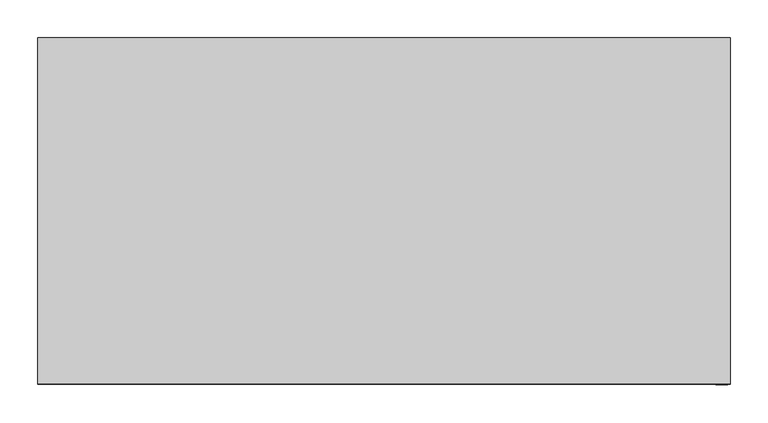
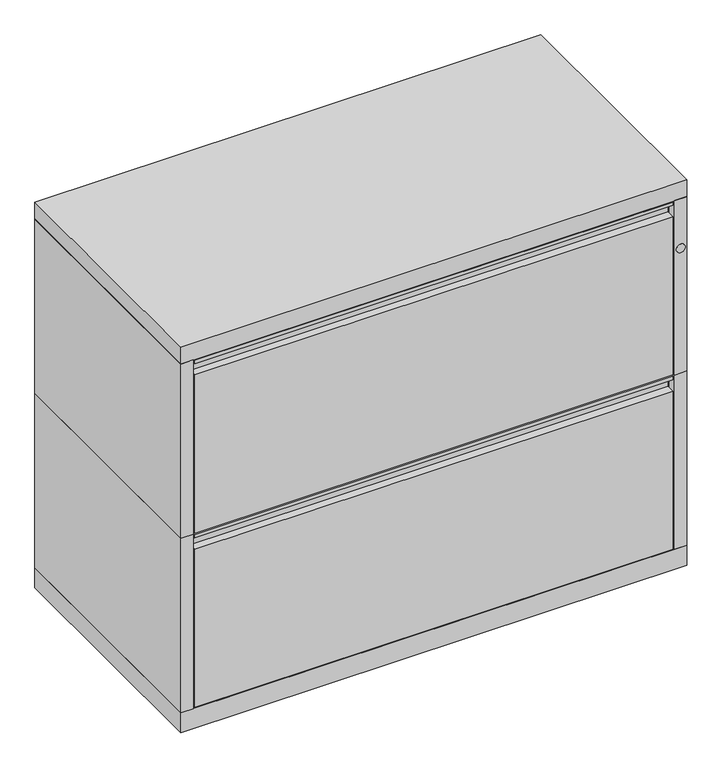
"""IFC4 building model written with IfcOpenShell, lengths in millimetres: furniture geometry."""

from ifc_helpers import new_model, si_unit, point, frame, frame_2d, origin, origin_with_axes, place, context, project, spatial, polyline, circle_curve, trimmed, segment, composite_curve, outline, extrude, source, transform, mapped, element, save


def furniture_60070c13(model_context):
    return source(origin(), model_context, "Body", "SweptSolid", [
        extrude(outline(polyline([(-228.6, 703.2752), (-211.9376, 703.2752), (-211.9376, 373.0625), (-228.6, 373.0625), (-228.6, 675.0939), (-213.4616, 675.0939), (-213.4616, 701.7385), (-227.076, 701.7385), (-227.076, 696.9125), (-228.6, 696.9125), (-228.6, 703.2752)])), frame((-431.8, 0.0, 0.0), z_axis=(1.0, 0.0, 0.0), x_axis=(0.0, 1.0, 0.0)), (0.0, 0.0, 1.0), 863.6),
        extrude(outline(polyline([(457.2, 228.6), (457.2, -228.6), (434.975, -228.6), (434.975, -211.9376), (-434.975, -211.9376), (-434.975, -228.6), (-457.2, -228.6), (-457.2, 228.6), (457.2, 228.6)])), frame((0.0, 0.0, 371.475), z_axis=(0.0, 0.0, 1.0), x_axis=(1.0, 0.0, 0.0)), (0.0, 0.0, 1.0), 333.375),
        extrude(outline(polyline([(-228.6, 369.9002), (-211.9376, 369.9002), (-211.9376, 39.6875), (-228.6, 39.6875), (-228.6, 341.7189), (-213.4616, 341.7189), (-213.4616, 368.3635), (-227.076, 368.3635), (-227.076, 363.5375), (-228.6, 363.5375), (-228.6, 369.9002)])), frame((-431.8, 0.0, 0.0), z_axis=(1.0, 0.0, 0.0), x_axis=(0.0, 1.0, 0.0)), (0.0, 0.0, 1.0), 863.6),
        extrude(outline(polyline([(457.2, 228.6), (457.2, -228.6), (434.975, -228.6), (434.975, -211.9376), (-434.975, -211.9376), (-434.975, -228.6), (-457.2, -228.6), (-457.2, 228.6), (457.2, 228.6)])), frame((0.0, 0.0, 38.1), z_axis=(0.0, 0.0, 1.0), x_axis=(1.0, 0.0, 0.0)), (0.0, 0.0, 1.0), 333.375),
        extrude(outline(polyline([(457.2, 228.6), (457.2, -228.6), (-457.2, -228.6), (-457.2, 228.6), (457.2, 228.6)])), frame((0.0, 0.0, 704.85), z_axis=(0.0, 0.0, 1.0), x_axis=(1.0, 0.0, 0.0)), (0.0, 0.0, 1.0), 31.75),
        extrude(outline(polyline([(457.2, 228.6), (457.2, -228.6), (-457.2, -228.6), (-457.2, 228.6), (457.2, 228.6)])), origin_with_axes(), (0.0, 0.0, 1.0), 38.1),
        extrude(outline(composite_curve([segment(trimmed(circle_curve(frame_2d((610.489, 446.0748)), 8.001), [point((610.489, 454.0758))], [point((610.489, 438.0738))], False, "CARTESIAN"), True, "CONTINUOUS"), segment(trimmed(circle_curve(frame_2d((610.489, 446.0748)), 8.001), [point((610.489, 438.0738))], [point((610.489, 454.0758))], False, "CARTESIAN"), True, "CONTINUOUS")], self_intersect=False)), frame((0.0, -229.39502, 0.0), z_axis=(0.0, 1.0, 0.0), x_axis=(0.0, 0.0, 1.0)), (0.0, 0.0, 1.0), 0.79502),
    ])


if __name__ == "__main__":
    model = new_model("IFC4")
    model_context = context("Model", 3, world=origin())
    ifc_project = project(units=[si_unit("LENGTHUNIT", "METRE", prefix="MILLI")], contexts=[model_context])
    site = spatial("IfcSite", under=ifc_project)
    building = spatial("IfcBuilding", under=site)
    placement = place(None, origin())
    furniture_shape = furniture_60070c13(model_context)
    element("IfcFurniture", 1, at=placement, inside=building, context=model_context, shape_type="MappedRepresentation", body=[
        mapped(furniture_shape, transform((0.0, 0.0, 0.0), x_axis=(1.0, 0.0, 0.0), y_axis=(0.0, 1.0, 0.0), z_axis=(0.0, 0.0, 1.0))),
    ])
    save(model, "model.ifc")
